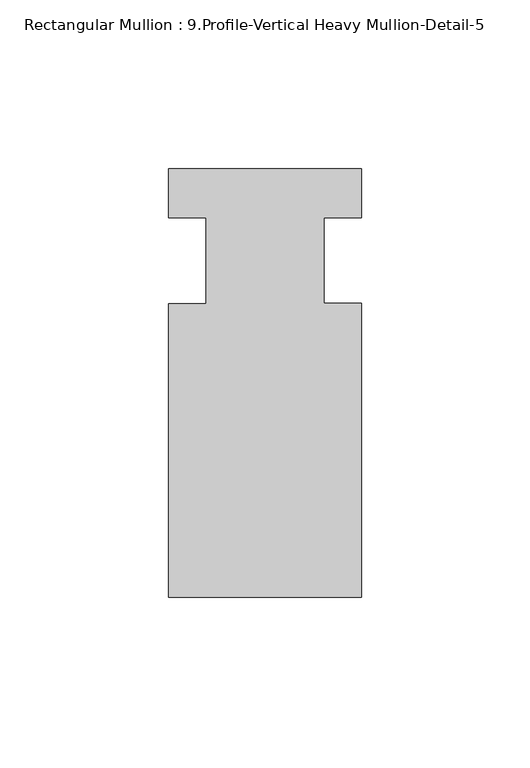
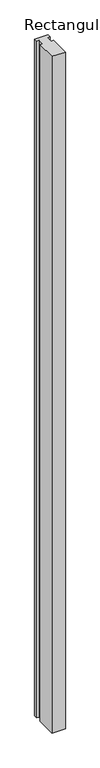
"""IFC4 building model written with IfcOpenShell, lengths in millimetres: member geometry, Rectangular Mullion : 9.Profile-Vertical Heavy Mullion-Detail-5."""

from ifc_helpers import new_model, si_unit, frame, origin, place, context, project, spatial, polyline, outline, extrude, source, transform, mapped, element, save


def rectangular_mullion_9_profile_vertical_heavy_mullion_detail_44511364(model_context):
    return source(origin(), model_context, "Body", "SweptSolid", [
        extrude(outline(polyline([(0.0, 86.4680125), (0.0, 71.9644875), (-11.1125, 71.9644875), (-11.1125, 46.5828521), (0.0, 46.5828521), (0.0, -40.5319875), (-57.15, -40.5319875), (-57.15, 46.4828563), (-46.0375, 46.4828563), (-46.0375, 71.9644875), (-57.15, 71.9644875), (-57.15, 86.4680125), (0.0, 86.4680125)])), frame((0.0, 0.0, -3048.0), z_axis=(0.0, 0.0, 1.0), x_axis=(1.0, 0.0, 0.0)), (0.0, 0.0, 1.0), 3048.0),
    ])


if __name__ == "__main__":
    model = new_model("IFC4")
    model_context = context("Model", 3, world=origin())
    ifc_project = project(units=[si_unit("LENGTHUNIT", "METRE", prefix="MILLI")], contexts=[model_context])
    site = spatial("IfcSite", under=ifc_project)
    building = spatial("IfcBuilding", under=site)
    placement = place(None, origin())
    rectangular_mullion_9_profile_vertical_heavy_mullion_detail_shape = rectangular_mullion_9_profile_vertical_heavy_mullion_detail_44511364(model_context)
    element("IfcMember", 1, ObjectType="Rectangular Mullion : 9.Profile-Vertical Heavy Mullion-Detail-5", at=placement, inside=building, context=model_context, shape_type="MappedRepresentation", body=[
        mapped(rectangular_mullion_9_profile_vertical_heavy_mullion_detail_shape, transform((0.0, 0.0, 0.0), x_axis=(1.0, 0.0, 0.0), y_axis=(0.0, 1.0, 0.0), z_axis=(0.0, 0.0, 1.0))),
    ])
    save(model, "model.ifc")
